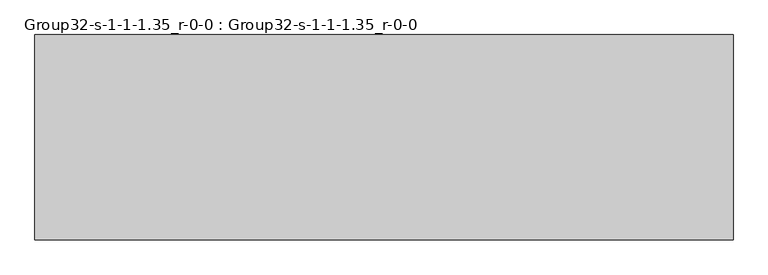
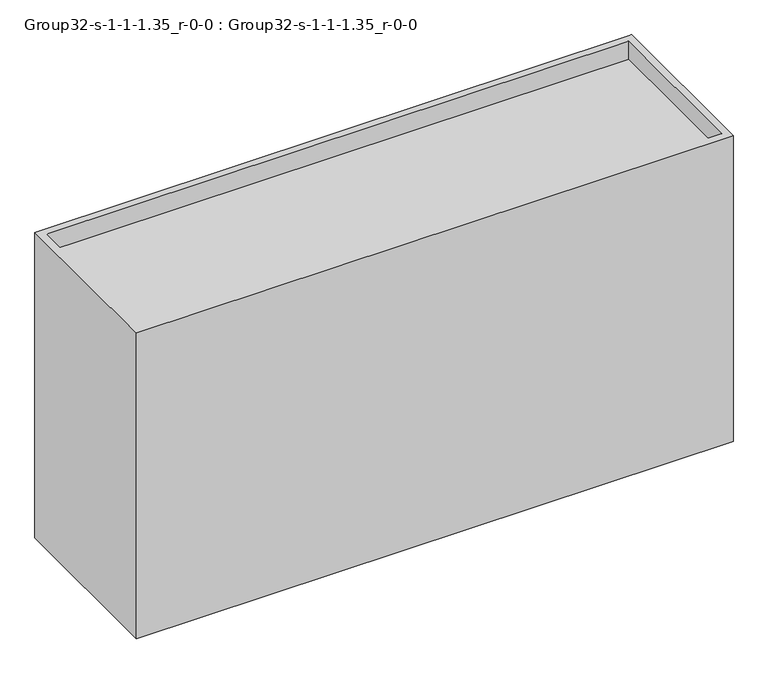
"""IFC4 building model written with IfcOpenShell, lengths in millimetres: geographic element geometry, Group32-s-1-1-1.35_r-0-0 : Group32-s-1-1-1.35_r-0-0."""

import ifcopenshell
import ifcopenshell.guid

model = None  # the IFC model being written
_history = None  # IfcOwnerHistory: only IFC2X3 demands one
_inside = {}  # id of a spatial element -> (the spatial element, [elements in it])
_under = {}  # id of a project, library or spatial element -> (it, [spatial elements below it])
_declared = {}  # id of a project -> (the project, [libraries it declares])
_typed = {}  # id of a type object -> (the type object, [elements of that type])
_made_of = {}  # id of a material, layer set ... -> (it, [elements and type objects made of it])


def new_model(schema):
    """Start an empty IFC model of exactly this schema.

    Asked for "IFC4X3", IfcOpenShell would pick the latest addendum, in which some entities
    have other attributes; the version numbers below select the first issue.
    IFC2X3 requires an IfcOwnerHistory on every rooted entity: one is made here for all.
    """
    global model, _history
    if schema == "IFC4X3":
        model = ifcopenshell.file(schema_version=(4, 3, 0, 0))
    else:
        model = ifcopenshell.file(schema=schema)
    _inside.clear()
    _under.clear()
    _declared.clear()
    _typed.clear()
    _made_of.clear()
    _history = None
    if model.schema == "IFC2X3":
        org = make("IfcOrganization", Name="unknown")
        user = make(
            "IfcPersonAndOrganization",
            ThePerson=make("IfcPerson", FamilyName="unknown"),
            TheOrganization=org,
        )
        app = make(
            "IfcApplication",
            ApplicationDeveloper=org,
            Version="unknown",
            ApplicationFullName="unknown",
            ApplicationIdentifier="unknown",
        )
        _history = make(
            "IfcOwnerHistory",
            OwningUser=user,
            OwningApplication=app,
            ChangeAction="ADDED",
            CreationDate=0,
        )
    return model


def make(cls, **values):
    """One entity of the class cls with the attributes given. An attribute that is None is left unset."""
    return model.create_entity(
        cls, **{name: value for name, value in values.items() if value is not None}
    )


def rooted(cls, **values):
    """An entity with a GlobalId (a new one), such as an element, a storey or a relation."""
    return make(cls, GlobalId=ifcopenshell.guid.new(), OwnerHistory=_history, **values)


def si_unit(unit_type, name, prefix=None):
    """IfcSIUnit, for example si_unit("LENGTHUNIT", "METRE", prefix="MILLI")."""
    return make("IfcSIUnit", UnitType=unit_type, Prefix=prefix, Name=name)


def assignment(units):
    """IfcUnitAssignment: the units of a project."""
    return None if units is None else make("IfcUnitAssignment", Units=units)


def point(xyz):
    """IfcCartesianPoint."""
    return None if xyz is None else make("IfcCartesianPoint", Coordinates=xyz)


def direction(xyz):
    """IfcDirection."""
    return None if xyz is None else make("IfcDirection", DirectionRatios=xyz)


def frame(location, z_axis=None, x_axis=None):
    """IfcAxis2Placement3D, a coordinate frame: its origin and axes. An axis left out is left unset."""
    return make(
        "IfcAxis2Placement3D",
        Location=point(location),
        Axis=direction(z_axis),
        RefDirection=direction(x_axis),
    )


def origin():
    """The frame at (0, 0, 0) with its axes left unset."""
    return frame((0.0, 0.0, 0.0))


def place(relative_to, where):
    """IfcLocalPlacement: puts the frame where relative to a parent placement (None: the world)."""
    return make(
        "IfcLocalPlacement", PlacementRelTo=relative_to, RelativePlacement=where
    )


def context(
    kind, dimensions, precision=None, world=None, true_north=None, identifier=None
):
    """IfcGeometricRepresentationContext, for example the 3D "Model" context."""
    return make(
        "IfcGeometricRepresentationContext",
        ContextIdentifier=identifier,
        ContextType=kind,
        CoordinateSpaceDimension=dimensions,
        Precision=precision,
        WorldCoordinateSystem=world,
        TrueNorth=true_north,
    )


def project(units=None, contexts=None):
    """IfcProject with its units and contexts."""
    return rooted(
        "IfcProject",
        Name="project",
        RepresentationContexts=contexts,
        UnitsInContext=assignment(units),
    )


def spatial(cls, under=None, at=None, **own):
    """A site, building, storey or space (cls), placed at a placement, below another one or the project."""
    s = rooted(cls, ObjectPlacement=at, **own)
    if under is not None:
        _under.setdefault(under.id(), (under, []))[1].append(s)
    return s


def point_list(points):
    """IfcCartesianPointList2D or 3D."""
    cls = (
        "IfcCartesianPointList2D" if len(points[0]) == 2 else "IfcCartesianPointList3D"
    )
    return make(cls, CoordList=points)


def triangles(points, corners, closed=None, point_numbers=None):
    """IfcTriangulatedFaceSet: each triangle names its three corners, points numbered from 1."""
    return make(
        "IfcTriangulatedFaceSet",
        Coordinates=point_list(points),
        Closed=closed,
        CoordIndex=corners,
        PnIndex=point_numbers,
    )


def shape(context_of_items, identifier, shape_type, items):
    """IfcShapeRepresentation: the items that make up one representation, for example the "Body"."""
    return make(
        "IfcShapeRepresentation",
        ContextOfItems=context_of_items,
        RepresentationIdentifier=identifier,
        RepresentationType=shape_type,
        Items=items,
    )


def source(mapping_origin, context_of_items, identifier, shape_type, items):
    """IfcRepresentationMap: a shape defined once, which mapped items show again and again."""
    return make(
        "IfcRepresentationMap",
        MappingOrigin=mapping_origin,
        MappedRepresentation=shape(context_of_items, identifier, shape_type, items),
    )


def transform(
    local_origin,
    x_axis=None,
    y_axis=None,
    z_axis=None,
    scale=None,
    scale2=None,
    scale3=None,
    uniform=True,
):
    """IfcCartesianTransformationOperator3D, or its non-uniform kind. x_axis, y_axis, z_axis: its Axis1, 2, 3."""
    if uniform:
        return make(
            "IfcCartesianTransformationOperator3D",
            Axis1=direction(x_axis),
            Axis2=direction(y_axis),
            LocalOrigin=point(local_origin),
            Scale=scale,
            Axis3=direction(z_axis),
        )
    return make(
        "IfcCartesianTransformationOperator3DnonUniform",
        Axis1=direction(x_axis),
        Axis2=direction(y_axis),
        LocalOrigin=point(local_origin),
        Scale=scale,
        Axis3=direction(z_axis),
        Scale2=scale2,
        Scale3=scale3,
    )


def mapped(mapping_source, mapping_target):
    """IfcMappedItem: shows the shape of a source again, moved by a transform."""
    return make(
        "IfcMappedItem", MappingSource=mapping_source, MappingTarget=mapping_target
    )


def made_of(thing, what):
    """Note that an element or type object is made of a material, layer set ...; save() writes the relation."""
    if what is not None:
        _made_of.setdefault(what.id(), (what, []))[1].append(thing)
    return thing


def element(
    cls,
    number,
    at=None,
    inside=None,
    cuts=None,
    type_object=None,
    material=None,
    context=None,
    identifier="Body",
    shape_type=None,
    held_by="IfcProductDefinitionShape",
    body=None,
    shapes=None,
    **own,
):
    """One element of the class cls, such as IfcWall. Its Tag is "e" and its number.

    at: its placement. inside: the storey or other place that contains it. cuts: it is an
    opening in that element (IfcRelVoidsElement). A single representation is given by context,
    identifier, shape_type and body (its items); several are given by shapes. held_by: the class
    of the entity that holds the representations. save() writes the other relations.
    """
    e = rooted(cls, Tag="e%d" % number, ObjectPlacement=at, **own)
    if body is not None:
        shapes = [shape(context, identifier, shape_type, body)]
    if shapes is not None:
        e.Representation = make(held_by, Representations=shapes)
    if inside is not None:
        _inside.setdefault(inside.id(), (inside, []))[1].append(e)
    if cuts is not None:
        rooted(
            "IfcRelVoidsElement", RelatingBuildingElement=cuts, RelatedOpeningElement=e
        )
    if type_object is not None:
        _typed.setdefault(type_object.id(), (type_object, []))[1].append(e)
    return made_of(e, material)


def aggregate(whole, parts):
    """IfcRelAggregates: a whole, such as a stair, and the parts it consists of."""
    return rooted("IfcRelAggregates", RelatingObject=whole, RelatedObjects=parts)


def save(model, path):
    """Write the relations noted so far, then the file.

    IfcRelAggregates (storeys below a building ...), IfcRelContainedInSpatialStructure (elements
    in a storey), IfcRelDefinesByType, IfcRelAssociatesMaterial and IfcRelDeclares: one each for
    every whole, place, type object, material and project.
    """
    for whole, parts in _under.values():
        aggregate(whole, parts)
    for where, things in _inside.values():
        rooted(
            "IfcRelContainedInSpatialStructure",
            RelatedElements=things,
            RelatingStructure=where,
        )
    for kind, things in _typed.values():
        rooted("IfcRelDefinesByType", RelatedObjects=things, RelatingType=kind)
    for what, things in _made_of.values():
        rooted("IfcRelAssociatesMaterial", RelatedObjects=things, RelatingMaterial=what)
    for by, libraries in _declared.values():
        rooted("IfcRelDeclares", RelatingContext=by, RelatedDefinitions=libraries)
    model.write(path)


def group32_s_1_1_1_35_r_0_0_group32_s_1_1_1_35_r_0_0_adbaa9ea(model_context):
    return source(origin(), model_context, "Body", "Tessellation", [
        triangles([(16976.7253876, 7585.0748062, 0.0), (16976.7253876, 0.0, 13963.8069672), (16976.7253876, 0.0, 0.0), (16976.7253876, 7585.0748062, 13963.8069672), (16671.9253876, 7280.2748062, 13963.8069672), (16671.9253876, 304.8, 13140.8467346), (16671.9253876, 304.8, 13963.8069672), (16671.9253876, 7280.2748062, 13140.8467346), (-8792.4749451, 7585.0748062, 13963.8069672), (-8792.4749451, 7585.0748062, 0.0), (-8792.4749451, 0.0, 13963.8069672), (-8487.6749451, 304.8, 13963.8069672), (-8487.6749451, 7280.2748062, 13963.8069672), (-8487.6749451, 7280.2748062, 13140.8467346), (-8792.4749451, 0.0, 0.0), (-8487.6749451, 304.8, 13140.8467346)], [[1, 2, 3], [2, 1, 4], [5, 6, 7], [6, 5, 8], [9, 1, 10], [1, 9, 4], [11, 12, 9], [12, 11, 2], [12, 2, 7], [7, 2, 5], [9, 13, 4], [13, 9, 12], [4, 13, 5], [4, 5, 2], [5, 14, 8], [14, 5, 13], [3, 11, 15], [11, 3, 2], [14, 12, 16], [12, 14, 13], [12, 6, 16], [6, 12, 7], [1, 15, 10], [15, 1, 3], [6, 14, 16], [14, 6, 8], [11, 10, 15], [10, 11, 9]]),
    ])


if __name__ == "__main__":
    model = new_model("IFC4")
    model_context = context("Model", 3, world=origin())
    ifc_project = project(units=[si_unit("LENGTHUNIT", "METRE", prefix="MILLI")], contexts=[model_context])
    site = spatial("IfcSite", under=ifc_project)
    building = spatial("IfcBuilding", under=site)
    placement = place(None, origin())
    group32_s_1_1_1_35_r_0_0_group32_s_1_1_1_35_r_0_0_shape = group32_s_1_1_1_35_r_0_0_group32_s_1_1_1_35_r_0_0_adbaa9ea(model_context)
    element("IfcGeographicElement", 1, ObjectType="Group32-s-1-1-1.35_r-0-0 : Group32-s-1-1-1.35_r-0-0", at=placement, inside=building, context=model_context, shape_type="MappedRepresentation", body=[
        mapped(group32_s_1_1_1_35_r_0_0_group32_s_1_1_1_35_r_0_0_shape, transform((0.0, 0.0, 0.0), x_axis=(1.0, 0.0, 0.0), y_axis=(0.0, 1.0, 0.0), z_axis=(0.0, 0.0, 1.0))),
    ])
    save(model, "model.ifc")
